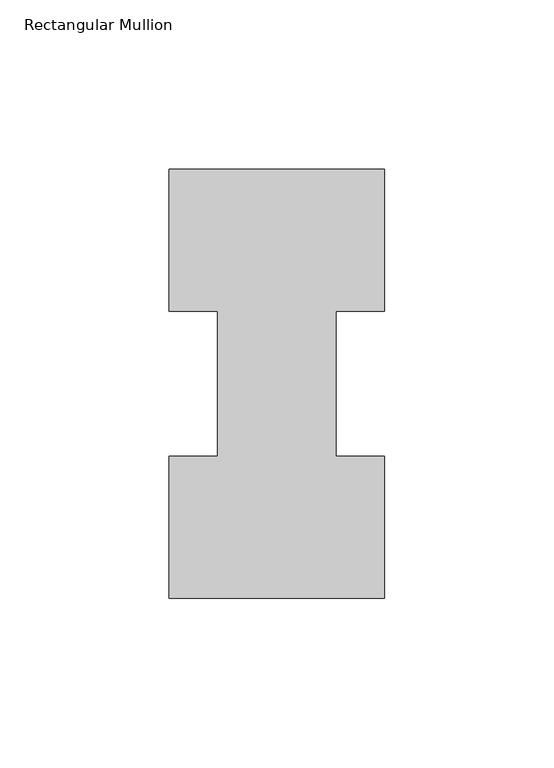
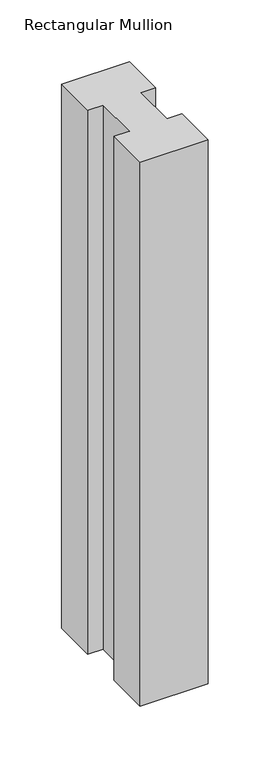
"""IFC4 building model written with IfcOpenShell, lengths in millimetres: member geometry, Rectangular Mullion."""

from ifc_helpers import new_model, si_unit, frame, origin, place, context, project, spatial, polyline, outline, extrude, source, transform, mapped, element, save


def rectangular_mullion_d45d86fb(model_context):
    return source(origin(), model_context, "Body", "SweptSolid", [
        extrude(outline(polyline([(-63.5, 0.2967757), (-63.5, 42.1178757), (-49.2125, 42.1178757), (-49.2125, 84.93125), (-63.5, 84.93125), (-63.5, 126.7887757), (0.0, 126.7887757), (0.0, 84.93125), (-14.2748, 84.93125), (-14.2748, 42.1178757), (0.0, 42.1178757), (0.0, 0.2967757), (-63.5, 0.2967757)])), frame((0.0, 0.0, -536.575), z_axis=(0.0, 0.0, 1.0), x_axis=(1.0, 0.0, 0.0)), (0.0, 0.0, 1.0), 536.575),
    ])


if __name__ == "__main__":
    model = new_model("IFC4")
    model_context = context("Model", 3, world=origin())
    ifc_project = project(units=[si_unit("LENGTHUNIT", "METRE", prefix="MILLI")], contexts=[model_context])
    site = spatial("IfcSite", under=ifc_project)
    building = spatial("IfcBuilding", under=site)
    placement = place(None, origin())
    rectangular_mullion_shape = rectangular_mullion_d45d86fb(model_context)
    element("IfcMember", 1, ObjectType="Rectangular Mullion", at=placement, inside=building, context=model_context, shape_type="MappedRepresentation", body=[
        mapped(rectangular_mullion_shape, transform((0.0, 0.0, 0.0), x_axis=(1.0, 0.0, 0.0), y_axis=(0.0, 1.0, 0.0), z_axis=(0.0, 0.0, 1.0))),
    ])
    save(model, "model.ifc")
